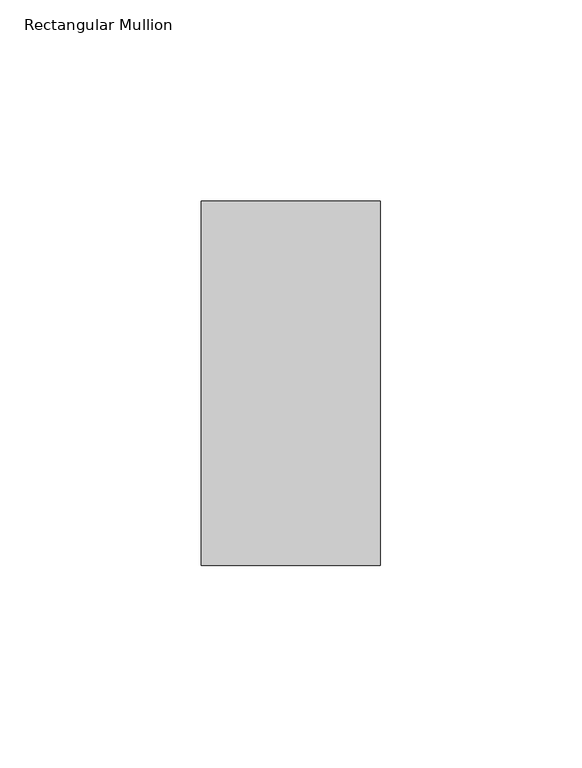
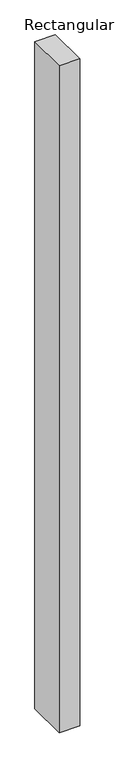
"""IFC4 building model written with IfcOpenShell, lengths in millimetres: member geometry, Rectangular Mullion."""

import ifcopenshell
import ifcopenshell.guid

model = None  # the IFC model being written
_history = None  # IfcOwnerHistory: only IFC2X3 demands one
_inside = {}  # id of a spatial element -> (the spatial element, [elements in it])
_under = {}  # id of a project, library or spatial element -> (it, [spatial elements below it])
_declared = {}  # id of a project -> (the project, [libraries it declares])
_typed = {}  # id of a type object -> (the type object, [elements of that type])
_made_of = {}  # id of a material, layer set ... -> (it, [elements and type objects made of it])


def new_model(schema):
    """Start an empty IFC model of exactly this schema.

    Asked for "IFC4X3", IfcOpenShell would pick the latest addendum, in which some entities
    have other attributes; the version numbers below select the first issue.
    IFC2X3 requires an IfcOwnerHistory on every rooted entity: one is made here for all.
    """
    global model, _history
    if schema == "IFC4X3":
        model = ifcopenshell.file(schema_version=(4, 3, 0, 0))
    else:
        model = ifcopenshell.file(schema=schema)
    _inside.clear()
    _under.clear()
    _declared.clear()
    _typed.clear()
    _made_of.clear()
    _history = None
    if model.schema == "IFC2X3":
        org = make("IfcOrganization", Name="unknown")
        user = make(
            "IfcPersonAndOrganization",
            ThePerson=make("IfcPerson", FamilyName="unknown"),
            TheOrganization=org,
        )
        app = make(
            "IfcApplication",
            ApplicationDeveloper=org,
            Version="unknown",
            ApplicationFullName="unknown",
            ApplicationIdentifier="unknown",
        )
        _history = make(
            "IfcOwnerHistory",
            OwningUser=user,
            OwningApplication=app,
            ChangeAction="ADDED",
            CreationDate=0,
        )
    return model


def make(cls, **values):
    """One entity of the class cls with the attributes given. An attribute that is None is left unset."""
    return model.create_entity(
        cls, **{name: value for name, value in values.items() if value is not None}
    )


def rooted(cls, **values):
    """An entity with a GlobalId (a new one), such as an element, a storey or a relation."""
    return make(cls, GlobalId=ifcopenshell.guid.new(), OwnerHistory=_history, **values)


def si_unit(unit_type, name, prefix=None):
    """IfcSIUnit, for example si_unit("LENGTHUNIT", "METRE", prefix="MILLI")."""
    return make("IfcSIUnit", UnitType=unit_type, Prefix=prefix, Name=name)


def assignment(units):
    """IfcUnitAssignment: the units of a project."""
    return None if units is None else make("IfcUnitAssignment", Units=units)


def point(xyz):
    """IfcCartesianPoint."""
    return None if xyz is None else make("IfcCartesianPoint", Coordinates=xyz)


def direction(xyz):
    """IfcDirection."""
    return None if xyz is None else make("IfcDirection", DirectionRatios=xyz)


def frame(location, z_axis=None, x_axis=None):
    """IfcAxis2Placement3D, a coordinate frame: its origin and axes. An axis left out is left unset."""
    return make(
        "IfcAxis2Placement3D",
        Location=point(location),
        Axis=direction(z_axis),
        RefDirection=direction(x_axis),
    )


def origin():
    """The frame at (0, 0, 0) with its axes left unset."""
    return frame((0.0, 0.0, 0.0))


def place(relative_to, where):
    """IfcLocalPlacement: puts the frame where relative to a parent placement (None: the world)."""
    return make(
        "IfcLocalPlacement", PlacementRelTo=relative_to, RelativePlacement=where
    )


def context(
    kind, dimensions, precision=None, world=None, true_north=None, identifier=None
):
    """IfcGeometricRepresentationContext, for example the 3D "Model" context."""
    return make(
        "IfcGeometricRepresentationContext",
        ContextIdentifier=identifier,
        ContextType=kind,
        CoordinateSpaceDimension=dimensions,
        Precision=precision,
        WorldCoordinateSystem=world,
        TrueNorth=true_north,
    )


def project(units=None, contexts=None):
    """IfcProject with its units and contexts."""
    return rooted(
        "IfcProject",
        Name="project",
        RepresentationContexts=contexts,
        UnitsInContext=assignment(units),
    )


def spatial(cls, under=None, at=None, **own):
    """A site, building, storey or space (cls), placed at a placement, below another one or the project."""
    s = rooted(cls, ObjectPlacement=at, **own)
    if under is not None:
        _under.setdefault(under.id(), (under, []))[1].append(s)
    return s


def polyline(points):
    """IfcPolyline through the points."""
    return make("IfcPolyline", Points=[point(p) for p in points])


def outline(outer, holes=None, kind="AREA"):
    """IfcArbitraryClosedProfileDef: a profile drawn as a closed curve; with holes, ...WithVoids."""
    if holes is None:
        return make("IfcArbitraryClosedProfileDef", ProfileType=kind, OuterCurve=outer)
    return make(
        "IfcArbitraryProfileDefWithVoids",
        ProfileType=kind,
        OuterCurve=outer,
        InnerCurves=holes,
    )


def extrude(swept, where, along, depth):
    """IfcExtrudedAreaSolid: the profile swept, set in the frame where, extruded along a direction by depth."""
    return make(
        "IfcExtrudedAreaSolid",
        SweptArea=swept,
        Position=where,
        ExtrudedDirection=direction(along),
        Depth=depth,
    )


def shape(context_of_items, identifier, shape_type, items):
    """IfcShapeRepresentation: the items that make up one representation, for example the "Body"."""
    return make(
        "IfcShapeRepresentation",
        ContextOfItems=context_of_items,
        RepresentationIdentifier=identifier,
        RepresentationType=shape_type,
        Items=items,
    )


def source(mapping_origin, context_of_items, identifier, shape_type, items):
    """IfcRepresentationMap: a shape defined once, which mapped items show again and again."""
    return make(
        "IfcRepresentationMap",
        MappingOrigin=mapping_origin,
        MappedRepresentation=shape(context_of_items, identifier, shape_type, items),
    )


def transform(
    local_origin,
    x_axis=None,
    y_axis=None,
    z_axis=None,
    scale=None,
    scale2=None,
    scale3=None,
    uniform=True,
):
    """IfcCartesianTransformationOperator3D, or its non-uniform kind. x_axis, y_axis, z_axis: its Axis1, 2, 3."""
    if uniform:
        return make(
            "IfcCartesianTransformationOperator3D",
            Axis1=direction(x_axis),
            Axis2=direction(y_axis),
            LocalOrigin=point(local_origin),
            Scale=scale,
            Axis3=direction(z_axis),
        )
    return make(
        "IfcCartesianTransformationOperator3DnonUniform",
        Axis1=direction(x_axis),
        Axis2=direction(y_axis),
        LocalOrigin=point(local_origin),
        Scale=scale,
        Axis3=direction(z_axis),
        Scale2=scale2,
        Scale3=scale3,
    )


def mapped(mapping_source, mapping_target):
    """IfcMappedItem: shows the shape of a source again, moved by a transform."""
    return make(
        "IfcMappedItem", MappingSource=mapping_source, MappingTarget=mapping_target
    )


def made_of(thing, what):
    """Note that an element or type object is made of a material, layer set ...; save() writes the relation."""
    if what is not None:
        _made_of.setdefault(what.id(), (what, []))[1].append(thing)
    return thing


def element(
    cls,
    number,
    at=None,
    inside=None,
    cuts=None,
    type_object=None,
    material=None,
    context=None,
    identifier="Body",
    shape_type=None,
    held_by="IfcProductDefinitionShape",
    body=None,
    shapes=None,
    **own,
):
    """One element of the class cls, such as IfcWall. Its Tag is "e" and its number.

    at: its placement. inside: the storey or other place that contains it. cuts: it is an
    opening in that element (IfcRelVoidsElement). A single representation is given by context,
    identifier, shape_type and body (its items); several are given by shapes. held_by: the class
    of the entity that holds the representations. save() writes the other relations.
    """
    e = rooted(cls, Tag="e%d" % number, ObjectPlacement=at, **own)
    if body is not None:
        shapes = [shape(context, identifier, shape_type, body)]
    if shapes is not None:
        e.Representation = make(held_by, Representations=shapes)
    if inside is not None:
        _inside.setdefault(inside.id(), (inside, []))[1].append(e)
    if cuts is not None:
        rooted(
            "IfcRelVoidsElement", RelatingBuildingElement=cuts, RelatedOpeningElement=e
        )
    if type_object is not None:
        _typed.setdefault(type_object.id(), (type_object, []))[1].append(e)
    return made_of(e, material)


def aggregate(whole, parts):
    """IfcRelAggregates: a whole, such as a stair, and the parts it consists of."""
    return rooted("IfcRelAggregates", RelatingObject=whole, RelatedObjects=parts)


def save(model, path):
    """Write the relations noted so far, then the file.

    IfcRelAggregates (storeys below a building ...), IfcRelContainedInSpatialStructure (elements
    in a storey), IfcRelDefinesByType, IfcRelAssociatesMaterial and IfcRelDeclares: one each for
    every whole, place, type object, material and project.
    """
    for whole, parts in _under.values():
        aggregate(whole, parts)
    for where, things in _inside.values():
        rooted(
            "IfcRelContainedInSpatialStructure",
            RelatedElements=things,
            RelatingStructure=where,
        )
    for kind, things in _typed.values():
        rooted("IfcRelDefinesByType", RelatedObjects=things, RelatingType=kind)
    for what, things in _made_of.values():
        rooted("IfcRelAssociatesMaterial", RelatedObjects=things, RelatingMaterial=what)
    for by, libraries in _declared.values():
        rooted("IfcRelDeclares", RelatingContext=by, RelatedDefinitions=libraries)
    model.write(path)


def rectangular_mullion_42f07cbb(model_context):
    return source(origin(), model_context, "Body", "SweptSolid", [
        extrude(outline(polyline([(-44.4247897, 45.2274954), (0.0, 45.2274954), (0.0, -45.2274954), (-44.4247897, -45.2274954), (-44.4247897, 45.2274954)])), frame((0.0, 0.0, -1524.0), z_axis=(0.0, 0.0, 1.0), x_axis=(1.0, 0.0, 0.0)), (0.0, 0.0, 1.0), 1524.0),
    ])


if __name__ == "__main__":
    model = new_model("IFC4")
    model_context = context("Model", 3, world=origin())
    ifc_project = project(units=[si_unit("LENGTHUNIT", "METRE", prefix="MILLI")], contexts=[model_context])
    site = spatial("IfcSite", under=ifc_project)
    building = spatial("IfcBuilding", under=site)
    placement = place(None, origin())
    rectangular_mullion_shape = rectangular_mullion_42f07cbb(model_context)
    element("IfcMember", 1, ObjectType="Rectangular Mullion", at=placement, inside=building, context=model_context, shape_type="MappedRepresentation", body=[
        mapped(rectangular_mullion_shape, transform((0.0, 0.0, 0.0), x_axis=(1.0, 0.0, 0.0), y_axis=(0.0, 1.0, 0.0), z_axis=(0.0, 0.0, 1.0))),
    ])
    save(model, "model.ifc")
